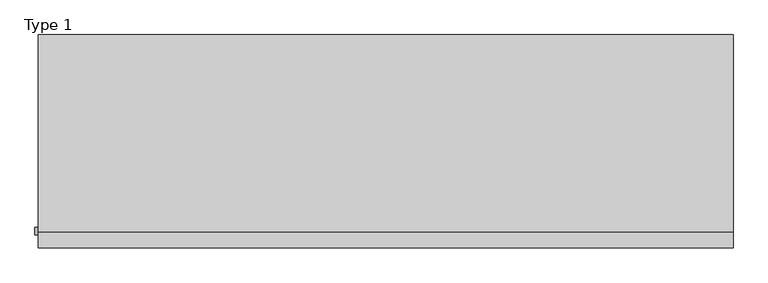
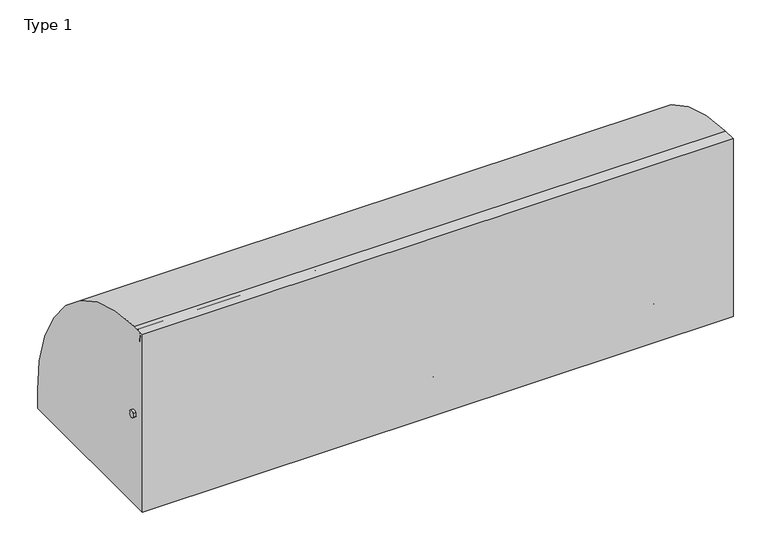
"""IFC4 building model written with IfcOpenShell, lengths in millimetres: railing geometry, Type 1."""

from ifc_helpers import new_model, si_unit, point, frame, frame_2d, origin, origin_with_axes, place, context, project, spatial, polyline, circle_curve, trimmed, segment, composite_curve, outline, extrude, source, transform, mapped, element, save
from ifc_brep_helpers import plane_surface, cylinder_surface, revolved_surface, advanced_brep


def type_1_f4e1b0f0(model_context):
    return source(origin(), model_context, "Body", "SolidModel", [
        extrude(outline(composite_curve([segment(polyline([(-209.2, 1050.0), (-132.6546144, 1050.0)]), True, "CONTINUOUS"), segment(trimmed(circle_curve(frame_2d((-139.8273072, 108.0)), 942.0273072), [point((-132.6546144, 1050.0))], [point((802.2, 108.0))], False, "CARTESIAN"), True, "CONTINUOUS"), segment(polyline([(802.2, 108.0), (802.2, 0.0), (-209.2, 0.0), (-209.2, 1050.0)]), True, "CONTINUOUS")], self_intersect=False)), frame((-395.0, 0.0, 0.0), z_axis=(1.0, 0.0, 0.0), x_axis=(0.0, 1.0, 0.0)), (0.0, 0.0, 1.0), 3295.0),
        extrude(outline(composite_curve([segment(trimmed(circle_curve(frame_2d((-131.287505, 538.0)), 20.0), [point((-112.7, 530.617273))], [point((-147.0, 525.6259343))], False, "CARTESIAN"), True, "CONTINUOUS"), segment(polyline([(-147.0, 525.6259343), (-147.0, 550.3740657)]), True, "CONTINUOUS"), segment(trimmed(circle_curve(frame_2d((-131.287505, 538.0)), 20.0), [point((-147.0, 550.3740657))], [point((-112.7, 545.382727))], False, "CARTESIAN"), True, "CONTINUOUS"), segment(polyline([(-112.7, 545.382727), (-116.7, 545.382727), (-116.7, 530.617273), (-112.7, 530.617273)]), True, "CONTINUOUS")], self_intersect=False)), frame((-410.0, 0.0, 0.0), z_axis=(1.0, 0.0, 0.0), x_axis=(0.0, 1.0, 0.0)), (0.0, 0.0, 1.0), 3260.0),
        extrude(outline(composite_curve([segment(trimmed(circle_curve(frame_2d((-166.0, 1025.0)), 25.0), [point((-187.0, 1011.43534))], [point((-145.0, 1011.43534))], False, "CARTESIAN"), True, "CONTINUOUS"), segment(polyline([(-145.0, 1011.43534), (-145.0, 993.0), (-146.0, 993.0), (-146.0, 1008.0), (-186.0, 1008.0), (-186.0, 993.0), (-187.0, 993.0), (-187.0, 1011.43534)]), True, "CONTINUOUS")], self_intersect=False)), frame((-395.0, 0.0, 0.0), z_axis=(1.0, 0.0, 0.0), x_axis=(0.0, 1.0, 0.0)), (0.0, 0.0, 1.0), 3295.0),
        extrude(outline(polyline([(1170.0, -185.0), (1170.0, 0.0), (1215.0, 0.0), (1215.0, -185.0), (1170.0, -185.0)])), origin_with_axes(), (0.0, 0.0, 1.0), 2.5),
        extrude(outline(composite_curve([segment(polyline([(-185.0, 185.0), (-154.0180942, 185.0)]), True, "CONTINUOUS"), segment(trimmed(circle_curve(frame_2d((-154.0180942, 112.1212122)), 72.8787879), [point((-154.0180942, 185.0))], [point((-102.485009, 163.6542973))], False, "CARTESIAN"), True, "CONTINUOUS"), segment(polyline([(-102.485009, 163.6542973), (-4.3933983, 65.5626865)]), True, "CONTINUOUS"), segment(trimmed(circle_curve(frame_2d((-15.0, 54.9560848)), 15.0), [point((-4.3933983, 65.5626865))], [point((0.0, 54.9560848))], False, "CARTESIAN"), True, "CONTINUOUS"), segment(polyline([(0.0, 54.9560848), (0.0, 0.0), (-185.0, 0.0), (-185.0, 185.0)]), True, "CONTINUOUS")], self_intersect=False), holes=[composite_curve([segment(trimmed(circle_curve(frame_2d((-92.5196719, 93.0361975)), 5.6060606), [point((-98.1257325, 93.0361975))], [point((-86.9136113, 93.0361975))], True, "CARTESIAN"), True, "CONTINUOUS"), segment(trimmed(circle_curve(frame_2d((-165.5151515, 93.0361975)), 78.6015402), [point((-86.9136113, 93.0361975))], [point((-165.5151515, 171.6377377))], True, "CARTESIAN"), True, "CONTINUOUS"), segment(trimmed(circle_curve(frame_2d((-165.5151515, 166.0316771)), 5.6060606), [point((-165.5151515, 171.6377377))], [point((-171.1212121, 166.0316771))], True, "CARTESIAN"), True, "CONTINUOUS"), segment(polyline([(-171.1212121, 166.0316771), (-171.1212121, 143.5676849)]), True, "CONTINUOUS"), segment(trimmed(circle_curve(frame_2d((-165.5151515, 143.5676849)), 5.6060606), [point((-171.1212121, 143.5676849))], [point((-159.9090909, 143.5676849))], True, "CARTESIAN"), True, "CONTINUOUS"), segment(polyline([(-159.9090909, 143.5676849), (-159.9090909, 157.7293747)]), True, "CONTINUOUS"), segment(trimmed(circle_curve(frame_2d((-157.6849895, 157.7293747)), 2.2241014), [point((-159.9090909, 157.7293747))], [point((-157.417745, 159.9373619))], False, "CARTESIAN"), True, "CONTINUOUS"), segment(trimmed(circle_curve(frame_2d((-165.5151515, 93.0361975)), 67.389419), [point((-157.417745, 159.9373619))], [point((-98.1257325, 93.0361975))], False, "CARTESIAN"), True, "CONTINUOUS")], self_intersect=False)]), frame((1215.0, 0.0, 0.0), z_axis=(1.0, 0.0, 0.0), x_axis=(0.0, 1.0, 0.0)), (0.0, 0.0, 1.0), 3.0),
        advanced_brep(
        [(1282.0, -185.0, 185.0), (1282.0, -154.0180942, 185.0), (1282.0, -102.485009, 163.6542973), (1282.0, -4.3933983, 65.5626865), (1282.0, 0.0, 54.9560848), (1282.0, 0.0, 0.0), (1282.0, -185.0, 0.0), (1282.0, -185.0, 100.9768515), (1282.0, -98.1257325, 93.0361975), (1282.0, -86.9136113, 93.0361975), (1282.0, -165.5151515, 171.6377377), (1282.0, -171.1212121, 166.0316771), (1282.0, -171.1212121, 143.5676849), (1282.0, -159.9090909, 143.5676849), (1282.0, -159.9090909, 157.7293747), (1282.0, -157.417745, 159.9373619), (1285.0, 0.0, 54.9560848), (1285.0, -4.3933983, 65.5626865), (1285.0, -102.485009, 163.6542973), (1285.0, -154.0180942, 185.0), (1285.0, -188.0, 185.0), (1285.0, -188.0, 100.9768515), (1285.0, -185.0, 100.9768515), (1285.0, -185.0, 2.5), (1285.0, 0.0, 2.5), (1285.0, -98.1257325, 93.0361975), (1285.0, -157.417745, 159.9373619), (1285.0, -159.9090909, 157.7293747), (1285.0, -159.9090909, 143.5676849), (1285.0, -171.1212121, 143.5676849), (1285.0, -171.1212121, 166.0316771), (1285.0, -165.5151515, 171.6377377), (1285.0, -86.9136113, 93.0361975), (1215.0, -185.0, 185.0), (1215.0, -188.0, 185.0), (1330.0, 0.0, 2.5), (1330.0, 0.0, 0.0), (1330.0, -185.0, 0.0), (1330.0, -185.0, 2.5), (1215.0, -188.0, 100.9768515), (1215.0, -185.0, 100.9768515)],
        [
            (0, 1),
            (1, 2, circle_curve(frame((1282.0, -154.0180942, 112.1212122), z_axis=(-1.0, 0.0, 0.0), x_axis=(0.0, -1.0, 0.0)), 72.8787879)),
            (2, 3),
            (3, 4, circle_curve(frame((1282.0, -15.0, 54.9560848), z_axis=(-1.0, 0.0, 0.0), x_axis=(0.0, -1.0, 0.0)), 15.0)),
            (4, 5),
            (5, 6),
            (6, 7),
            (7, 0),
            (8, 9, circle_curve(frame((1282.0, -92.5196719, 93.0361975), z_axis=(1.0, 0.0, 0.0), x_axis=(0.0, -1.0, 0.0)), 5.6060606)),
            (9, 10, circle_curve(frame((1282.0, -165.5151515, 93.0361975), z_axis=(1.0, 0.0, 0.0), x_axis=(0.0, -1.0, 0.0)), 78.6015402)),
            (10, 11, circle_curve(frame((1282.0, -165.5151515, 166.0316771), z_axis=(1.0, 0.0, 0.0), x_axis=(0.0, -1.0, 0.0)), 5.6060606)),
            (11, 12),
            (12, 13, circle_curve(frame((1282.0, -165.5151515, 143.5676849), z_axis=(1.0, 0.0, 0.0), x_axis=(0.0, -1.0, 0.0)), 5.6060606)),
            (13, 14),
            (14, 15, circle_curve(frame((1282.0, -157.6849895, 157.7293747), z_axis=(-1.0, 0.0, 0.0), x_axis=(0.0, -1.0, 0.0)), 2.2241014)),
            (15, 8, circle_curve(frame((1282.0, -165.5151515, 93.0361975), z_axis=(-1.0, 0.0, 0.0), x_axis=(0.0, -1.0, 0.0)), 67.389419)),
            (16, 17, circle_curve(frame((1285.0, -15.0, 54.9560848), z_axis=(1.0, 0.0, 0.0), x_axis=(0.0, -1.0, 0.0)), 15.0)),
            (17, 18),
            (18, 19, circle_curve(frame((1285.0, -154.0180942, 112.1212122), z_axis=(1.0, 0.0, 0.0), x_axis=(0.0, -1.0, 0.0)), 72.8787879)),
            (19, 20),
            (20, 21),
            (21, 22),
            (22, 23),
            (23, 24),
            (24, 16),
            (25, 26, circle_curve(frame((1285.0, -165.5151515, 93.0361975), z_axis=(1.0, 0.0, 0.0), x_axis=(0.0, -1.0, 0.0)), 67.389419)),
            (26, 27, circle_curve(frame((1285.0, -157.6849895, 157.7293747), z_axis=(1.0, 0.0, 0.0), x_axis=(0.0, -1.0, 0.0)), 2.2241014)),
            (27, 28),
            (28, 29, circle_curve(frame((1285.0, -165.5151515, 143.5676849), z_axis=(-1.0, 0.0, 0.0), x_axis=(0.0, -1.0, 0.0)), 5.6060606)),
            (29, 30),
            (30, 31, circle_curve(frame((1285.0, -165.5151515, 166.0316771), z_axis=(-1.0, 0.0, 0.0), x_axis=(0.0, -1.0, 0.0)), 5.6060606)),
            (31, 32, circle_curve(frame((1285.0, -165.5151515, 93.0361975), z_axis=(-1.0, 0.0, 0.0), x_axis=(0.0, -1.0, 0.0)), 78.6015402)),
            (32, 25, circle_curve(frame((1285.0, -92.5196719, 93.0361975), z_axis=(-1.0, 0.0, 0.0), x_axis=(0.0, -1.0, 0.0)), 5.6060606)),
            (0, 33),
            (33, 34),
            (34, 20),
            (19, 1),
            (18, 2),
            (17, 3),
            (16, 4),
            (24, 35),
            (35, 36),
            (36, 5),
            (36, 37),
            (37, 6),
            (37, 38),
            (38, 23),
            (22, 7),
            (8, 25),
            (32, 9),
            (31, 10),
            (30, 11),
            (15, 26),
            (29, 12),
            (28, 13),
            (27, 14),
            (34, 39),
            (39, 21),
            (40, 33),
            (7, 40),
            (40, 39),
            (38, 35),
        ],
        [
            plane_surface(frame((1282.0, -183.2270223, 185.0), z_axis=(-1.0, 0.0, 0.0), x_axis=(0.0, 1.0, 0.0))),
            plane_surface(frame((1285.0, -183.2270223, 185.0), z_axis=(1.0, 0.0, 0.0), x_axis=(0.0, -1.0, 0.0))),
            plane_surface(frame((1282.0, -185.0, 185.0), z_axis=(0.0, 0.0, 1.0), x_axis=(1.0, 0.0, 0.0))),
            cylinder_surface(frame((1285.0, -154.0180942, 112.1212122), z_axis=(-1.0, 0.0, 0.0), x_axis=(0.0, -1.0, 0.0)), 72.8787879),
            plane_surface(frame((1282.0, -102.485009, 163.6542973), z_axis=(0.0, 0.7071067811865421, 0.707106781186553), x_axis=(1.0, 0.0, 0.0))),
            cylinder_surface(frame((1285.0, -15.0, 54.9560848), z_axis=(-1.0, 0.0, 0.0), x_axis=(0.0, -1.0, 0.0)), 15.0),
            plane_surface(frame((1282.0, 0.0, 54.9560848), z_axis=(0.0, 1.0, 0.0), x_axis=(1.0, 0.0, 0.0))),
            plane_surface(frame((1282.0, 0.0, 0.0), z_axis=(0.0, 0.0, -1.0), x_axis=(1.0, 0.0, 0.0))),
            plane_surface(frame((1282.0, -185.0, 0.0), z_axis=(0.0, -1.0, 0.0), x_axis=(1.0, 0.0, 0.0))),
            revolved_surface(polyline([(1285.0, -98.12573250000001, 93.0361975), (1282.0, -98.12573250000001, 93.0361975)]), (1285.0, -92.5196719, 93.0361975), (1.0, 0.0, 0.0)),
            revolved_surface(polyline([(1285.0, -244.1166917, 93.0361975), (1282.0, -244.1166917, 93.0361975)]), (1285.0, -165.5151515, 93.0361975), (1.0, 0.0, 0.0)),
            revolved_surface(polyline([(1285.0, -171.1212121, 166.0316771), (1282.0, -171.1212121, 166.0316771)]), (1285.0, -165.5151515, 166.0316771), (1.0, 0.0, 0.0)),
            cylinder_surface(frame((1285.0, -165.5151515, 93.0361975), z_axis=(-1.0, 0.0, 0.0), x_axis=(0.0, -1.0, 0.0)), 67.389419),
            plane_surface(frame((1282.0, -171.1212121, 166.0316771), z_axis=(0.0, 1.0, 0.0), x_axis=(1.0, 0.0, 0.0))),
            revolved_surface(polyline([(1285.0, -171.1212121, 143.5676849), (1282.0, -171.1212121, 143.5676849)]), (1285.0, -165.5151515, 143.5676849), (1.0, 0.0, 0.0)),
            plane_surface(frame((1282.0, -159.9090909, 143.5676849), z_axis=(0.0, -1.0, 0.0), x_axis=(1.0, 0.0, 0.0))),
            cylinder_surface(frame((1285.0, -157.6849895, 157.7293747), z_axis=(-1.0, 0.0, 0.0), x_axis=(0.0, -1.0, 0.0)), 2.2241014),
            plane_surface(frame((1215.0, -188.0, 185.0), z_axis=(0.0, -1.0, 0.0), x_axis=(-1.0, 0.0, 0.0))),
            plane_surface(frame((1215.0, -185.0, 185.0), z_axis=(0.0, 1.0, 0.0), x_axis=(1.0, 0.0, 0.0))),
            plane_surface(frame((1215.0, -188.0, 185.0), z_axis=(-1.0, 0.0, 0.0), x_axis=(0.0, 1.0, 0.0))),
            plane_surface(frame((1215.0, -188.0, 100.9768515), z_axis=(0.0, 0.0, -1.0), x_axis=(0.0, 1.0, 0.0))),
            plane_surface(frame((1330.0, -185.0, 2.5), z_axis=(0.0, 0.0, 1.0), x_axis=(0.0, 1.0, 0.0))),
            plane_surface(frame((1330.0, -185.0, 2.5), z_axis=(1.0, 0.0, 0.0), x_axis=(0.0, 0.0, -1.0))),
        ],
        [
            (0, [[1, 2, 3, 4, 5, 6, 7, 8], [9, 10, 11, 12, 13, 14, 15, 16]]),
            (1, [[17, 18, 19, 20, 21, 22, 23, 24, 25], [26, 27, 28, 29, 30, 31, 32, 33]]),
            (2, [[-1, 34, 35, 36, -20, 37]]),
            (3, [[-2, -37, -19, 38]]),
            (4, [[-3, -38, -18, 39]]),
            (5, [[-4, -39, -17, 40]]),
            (6, [[-5, -40, -25, 41, 42, 43]]),
            (7, [[-6, -43, 44, 45]]),
            (8, [[-45, 46, 47, -23, 48, -7]]),
            (9, [[-9, 49, -33, 50]]),
            (10, [[-10, -50, -32, 51]]),
            (11, [[-11, -51, -31, 52]]),
            (12, [[-16, 53, -26, -49]]),
            (13, [[-12, -52, -30, 54]]),
            (14, [[-13, -54, -29, 55]]),
            (15, [[-14, -55, -28, 56]]),
            (16, [[-15, -56, -27, -53]]),
            (17, [[-36, 57, 58, -21]]),
            (18, [[59, -34, -8, 60]]),
            (19, [[-57, -35, -59, 61]]),
            (20, [[-58, -61, -60, -48, -22]]),
            (21, [[62, -41, -24, -47]]),
            (22, [[-62, -46, -44, -42]]),
        ],
    ),
        extrude(outline(composite_curve([segment(trimmed(circle_curve(frame_2d((1227.0, -180.0)), 5.0), [point((1227.0, -185.0))], [point((1222.0, -180.0))], False, "CARTESIAN"), True, "CONTINUOUS"), segment(polyline([(1222.0, -180.0), (1222.0, -152.0)]), True, "CONTINUOUS"), segment(trimmed(circle_curve(frame_2d((1227.0, -152.0)), 5.0), [point((1222.0, -152.0))], [point((1227.0, -147.0))], False, "CARTESIAN"), True, "CONTINUOUS"), segment(polyline([(1227.0, -147.0), (1273.0, -147.0)]), True, "CONTINUOUS"), segment(trimmed(circle_curve(frame_2d((1273.0, -152.0)), 5.0), [point((1273.0, -147.0))], [point((1278.0, -152.0))], False, "CARTESIAN"), True, "CONTINUOUS"), segment(polyline([(1278.0, -152.0), (1278.0, -180.0)]), True, "CONTINUOUS"), segment(trimmed(circle_curve(frame_2d((1273.0, -180.0)), 5.0), [point((1278.0, -180.0))], [point((1273.0, -185.0))], False, "CARTESIAN"), True, "CONTINUOUS"), segment(polyline([(1273.0, -185.0), (1227.0, -185.0)]), True, "CONTINUOUS")], self_intersect=False)), frame((0.0, 0.0, 43.0), z_axis=(0.0, 0.0, 1.0), x_axis=(1.0, 0.0, 0.0)), (0.0, 0.0, 1.0), 965.0),
        extrude(outline(polyline([(2392.0, -185.0), (2392.0, 0.0), (2437.0, 0.0), (2437.0, -185.0), (2392.0, -185.0)])), origin_with_axes(), (0.0, 0.0, 1.0), 2.5),
        extrude(outline(composite_curve([segment(polyline([(-185.0, 185.0), (-154.0180942, 185.0)]), True, "CONTINUOUS"), segment(trimmed(circle_curve(frame_2d((-154.0180942, 112.1212122)), 72.8787879), [point((-154.0180942, 185.0))], [point((-102.485009, 163.6542973))], False, "CARTESIAN"), True, "CONTINUOUS"), segment(polyline([(-102.485009, 163.6542973), (-4.3933983, 65.5626865)]), True, "CONTINUOUS"), segment(trimmed(circle_curve(frame_2d((-15.0, 54.9560848)), 15.0), [point((-4.3933983, 65.5626865))], [point((0.0, 54.9560848))], False, "CARTESIAN"), True, "CONTINUOUS"), segment(polyline([(0.0, 54.9560848), (0.0, 0.0), (-185.0, 0.0), (-185.0, 185.0)]), True, "CONTINUOUS")], self_intersect=False), holes=[composite_curve([segment(trimmed(circle_curve(frame_2d((-92.5196719, 93.0361975)), 5.6060606), [point((-98.1257325, 93.0361975))], [point((-86.9136113, 93.0361975))], True, "CARTESIAN"), True, "CONTINUOUS"), segment(trimmed(circle_curve(frame_2d((-165.5151515, 93.0361975)), 78.6015402), [point((-86.9136113, 93.0361975))], [point((-165.5151515, 171.6377377))], True, "CARTESIAN"), True, "CONTINUOUS"), segment(trimmed(circle_curve(frame_2d((-165.5151515, 166.0316771)), 5.6060606), [point((-165.5151515, 171.6377377))], [point((-171.1212121, 166.0316771))], True, "CARTESIAN"), True, "CONTINUOUS"), segment(polyline([(-171.1212121, 166.0316771), (-171.1212121, 143.5676849)]), True, "CONTINUOUS"), segment(trimmed(circle_curve(frame_2d((-165.5151515, 143.5676849)), 5.6060606), [point((-171.1212121, 143.5676849))], [point((-159.9090909, 143.5676849))], True, "CARTESIAN"), True, "CONTINUOUS"), segment(polyline([(-159.9090909, 143.5676849), (-159.9090909, 157.7293747)]), True, "CONTINUOUS"), segment(trimmed(circle_curve(frame_2d((-157.6849895, 157.7293747)), 2.2241014), [point((-159.9090909, 157.7293747))], [point((-157.417745, 159.9373619))], False, "CARTESIAN"), True, "CONTINUOUS"), segment(trimmed(circle_curve(frame_2d((-165.5151515, 93.0361975)), 67.389419), [point((-157.417745, 159.9373619))], [point((-98.1257325, 93.0361975))], False, "CARTESIAN"), True, "CONTINUOUS")], self_intersect=False)]), frame((2437.0, 0.0, 0.0), z_axis=(1.0, 0.0, 0.0), x_axis=(0.0, 1.0, 0.0)), (0.0, 0.0, 1.0), 3.0),
        advanced_brep(
        [(2504.0, -185.0, 185.0), (2504.0, -154.0180942, 185.0), (2504.0, -102.485009, 163.6542973), (2504.0, -4.3933983, 65.5626865), (2504.0, 0.0, 54.9560848), (2504.0, 0.0, 0.0), (2504.0, -185.0, 0.0), (2504.0, -185.0, 100.9768515), (2504.0, -98.1257325, 93.0361975), (2504.0, -86.9136113, 93.0361975), (2504.0, -165.5151515, 171.6377377), (2504.0, -171.1212121, 166.0316771), (2504.0, -171.1212121, 143.5676849), (2504.0, -159.9090909, 143.5676849), (2504.0, -159.9090909, 157.7293747), (2504.0, -157.417745, 159.9373619), (2507.0, 0.0, 54.9560848), (2507.0, -4.3933983, 65.5626865), (2507.0, -102.485009, 163.6542973), (2507.0, -154.0180942, 185.0), (2507.0, -188.0, 185.0), (2507.0, -188.0, 100.9768515), (2507.0, -185.0, 100.9768515), (2507.0, -185.0, 2.5), (2507.0, 0.0, 2.5), (2507.0, -98.1257325, 93.0361975), (2507.0, -157.417745, 159.9373619), (2507.0, -159.9090909, 157.7293747), (2507.0, -159.9090909, 143.5676849), (2507.0, -171.1212121, 143.5676849), (2507.0, -171.1212121, 166.0316771), (2507.0, -165.5151515, 171.6377377), (2507.0, -86.9136113, 93.0361975), (2437.0, -185.0, 185.0), (2437.0, -188.0, 185.0), (2552.0, 0.0, 2.5), (2552.0, 0.0, 0.0), (2552.0, -185.0, 0.0), (2552.0, -185.0, 2.5), (2437.0, -188.0, 100.9768515), (2437.0, -185.0, 100.9768515)],
        [
            (0, 1),
            (1, 2, circle_curve(frame((2504.0, -154.0180942, 112.1212122), z_axis=(-1.0, 0.0, 0.0), x_axis=(0.0, -1.0, 0.0)), 72.8787879)),
            (2, 3),
            (3, 4, circle_curve(frame((2504.0, -15.0, 54.9560848), z_axis=(-1.0, 0.0, 0.0), x_axis=(0.0, -1.0, 0.0)), 15.0)),
            (4, 5),
            (5, 6),
            (6, 7),
            (7, 0),
            (8, 9, circle_curve(frame((2504.0, -92.5196719, 93.0361975), z_axis=(1.0, 0.0, 0.0), x_axis=(0.0, -1.0, 0.0)), 5.6060606)),
            (9, 10, circle_curve(frame((2504.0, -165.5151515, 93.0361975), z_axis=(1.0, 0.0, 0.0), x_axis=(0.0, -1.0, 0.0)), 78.6015402)),
            (10, 11, circle_curve(frame((2504.0, -165.5151515, 166.0316771), z_axis=(1.0, 0.0, 0.0), x_axis=(0.0, -1.0, 0.0)), 5.6060606)),
            (11, 12),
            (12, 13, circle_curve(frame((2504.0, -165.5151515, 143.5676849), z_axis=(1.0, 0.0, 0.0), x_axis=(0.0, -1.0, 0.0)), 5.6060606)),
            (13, 14),
            (14, 15, circle_curve(frame((2504.0, -157.6849895, 157.7293747), z_axis=(-1.0, 0.0, 0.0), x_axis=(0.0, -1.0, 0.0)), 2.2241014)),
            (15, 8, circle_curve(frame((2504.0, -165.5151515, 93.0361975), z_axis=(-1.0, 0.0, 0.0), x_axis=(0.0, -1.0, 0.0)), 67.389419)),
            (16, 17, circle_curve(frame((2507.0, -15.0, 54.9560848), z_axis=(1.0, 0.0, 0.0), x_axis=(0.0, -1.0, 0.0)), 15.0)),
            (17, 18),
            (18, 19, circle_curve(frame((2507.0, -154.0180942, 112.1212122), z_axis=(1.0, 0.0, 0.0), x_axis=(0.0, -1.0, 0.0)), 72.8787879)),
            (19, 20),
            (20, 21),
            (21, 22),
            (22, 23),
            (23, 24),
            (24, 16),
            (25, 26, circle_curve(frame((2507.0, -165.5151515, 93.0361975), z_axis=(1.0, 0.0, 0.0), x_axis=(0.0, -1.0, 0.0)), 67.389419)),
            (26, 27, circle_curve(frame((2507.0, -157.6849895, 157.7293747), z_axis=(1.0, 0.0, 0.0), x_axis=(0.0, -1.0, 0.0)), 2.2241014)),
            (27, 28),
            (28, 29, circle_curve(frame((2507.0, -165.5151515, 143.5676849), z_axis=(-1.0, 0.0, 0.0), x_axis=(0.0, -1.0, 0.0)), 5.6060606)),
            (29, 30),
            (30, 31, circle_curve(frame((2507.0, -165.5151515, 166.0316771), z_axis=(-1.0, 0.0, 0.0), x_axis=(0.0, -1.0, 0.0)), 5.6060606)),
            (31, 32, circle_curve(frame((2507.0, -165.5151515, 93.0361975), z_axis=(-1.0, 0.0, 0.0), x_axis=(0.0, -1.0, 0.0)), 78.6015402)),
            (32, 25, circle_curve(frame((2507.0, -92.5196719, 93.0361975), z_axis=(-1.0, 0.0, 0.0), x_axis=(0.0, -1.0, 0.0)), 5.6060606)),
            (0, 33),
            (33, 34),
            (34, 20),
            (19, 1),
            (18, 2),
            (17, 3),
            (16, 4),
            (24, 35),
            (35, 36),
            (36, 5),
            (36, 37),
            (37, 6),
            (37, 38),
            (38, 23),
            (22, 7),
            (8, 25),
            (32, 9),
            (31, 10),
            (30, 11),
            (15, 26),
            (29, 12),
            (28, 13),
            (27, 14),
            (34, 39),
            (39, 21),
            (40, 33),
            (7, 40),
            (40, 39),
            (38, 35),
        ],
        [
            plane_surface(frame((2504.0, -183.2270223, 185.0), z_axis=(-1.0, 0.0, 0.0), x_axis=(0.0, 1.0, 0.0))),
            plane_surface(frame((2507.0, -183.2270223, 185.0), z_axis=(1.0, 0.0, 0.0), x_axis=(0.0, -1.0, 0.0))),
            plane_surface(frame((2504.0, -185.0, 185.0), z_axis=(0.0, 0.0, 1.0), x_axis=(1.0, 0.0, 0.0))),
            cylinder_surface(frame((2507.0, -154.0180942, 112.1212122), z_axis=(-1.0, 0.0, 0.0), x_axis=(0.0, -1.0, 0.0)), 72.8787879),
            plane_surface(frame((2504.0, -102.485009, 163.6542973), z_axis=(0.0, 0.7071067811865421, 0.707106781186553), x_axis=(1.0, 0.0, 0.0))),
            cylinder_surface(frame((2507.0, -15.0, 54.9560848), z_axis=(-1.0, 0.0, 0.0), x_axis=(0.0, -1.0, 0.0)), 15.0),
            plane_surface(frame((2504.0, 0.0, 54.9560848), z_axis=(0.0, 1.0, 0.0), x_axis=(1.0, 0.0, 0.0))),
            plane_surface(frame((2504.0, 0.0, 0.0), z_axis=(0.0, 0.0, -1.0), x_axis=(1.0, 0.0, 0.0))),
            plane_surface(frame((2504.0, -185.0, 0.0), z_axis=(0.0, -1.0, 0.0), x_axis=(1.0, 0.0, 0.0))),
            revolved_surface(polyline([(2507.0, -98.12573250000001, 93.0361975), (2504.0, -98.12573250000001, 93.0361975)]), (2507.0, -92.5196719, 93.0361975), (1.0, 0.0, 0.0)),
            revolved_surface(polyline([(2507.0, -244.1166917, 93.0361975), (2504.0, -244.1166917, 93.0361975)]), (2507.0, -165.5151515, 93.0361975), (1.0, 0.0, 0.0)),
            revolved_surface(polyline([(2507.0, -171.1212121, 166.0316771), (2504.0, -171.1212121, 166.0316771)]), (2507.0, -165.5151515, 166.0316771), (1.0, 0.0, 0.0)),
            cylinder_surface(frame((2507.0, -165.5151515, 93.0361975), z_axis=(-1.0, 0.0, 0.0), x_axis=(0.0, -1.0, 0.0)), 67.389419),
            plane_surface(frame((2504.0, -171.1212121, 166.0316771), z_axis=(0.0, 1.0, 0.0), x_axis=(1.0, 0.0, 0.0))),
            revolved_surface(polyline([(2507.0, -171.1212121, 143.5676849), (2504.0, -171.1212121, 143.5676849)]), (2507.0, -165.5151515, 143.5676849), (1.0, 0.0, 0.0)),
            plane_surface(frame((2504.0, -159.9090909, 143.5676849), z_axis=(0.0, -1.0, 0.0), x_axis=(1.0, 0.0, 0.0))),
            cylinder_surface(frame((2507.0, -157.6849895, 157.7293747), z_axis=(-1.0, 0.0, 0.0), x_axis=(0.0, -1.0, 0.0)), 2.2241014),
            plane_surface(frame((2437.0, -188.0, 185.0), z_axis=(0.0, -1.0, 0.0), x_axis=(-1.0, 0.0, 0.0))),
            plane_surface(frame((2437.0, -185.0, 185.0), z_axis=(0.0, 1.0, 0.0), x_axis=(1.0, 0.0, 0.0))),
            plane_surface(frame((2437.0, -188.0, 185.0), z_axis=(-1.0, 0.0, 0.0), x_axis=(0.0, 1.0, 0.0))),
            plane_surface(frame((2437.0, -188.0, 100.9768515), z_axis=(0.0, 0.0, -1.0), x_axis=(0.0, 1.0, 0.0))),
            plane_surface(frame((2552.0, -185.0, 2.5), z_axis=(0.0, 0.0, 1.0), x_axis=(0.0, 1.0, 0.0))),
            plane_surface(frame((2552.0, -185.0, 2.5), z_axis=(1.0, 0.0, 0.0), x_axis=(0.0, 0.0, -1.0))),
        ],
        [
            (0, [[1, 2, 3, 4, 5, 6, 7, 8], [9, 10, 11, 12, 13, 14, 15, 16]]),
            (1, [[17, 18, 19, 20, 21, 22, 23, 24, 25], [26, 27, 28, 29, 30, 31, 32, 33]]),
            (2, [[-1, 34, 35, 36, -20, 37]]),
            (3, [[-2, -37, -19, 38]]),
            (4, [[-3, -38, -18, 39]]),
            (5, [[-4, -39, -17, 40]]),
            (6, [[-5, -40, -25, 41, 42, 43]]),
            (7, [[-6, -43, 44, 45]]),
            (8, [[-45, 46, 47, -23, 48, -7]]),
            (9, [[-9, 49, -33, 50]]),
            (10, [[-10, -50, -32, 51]]),
            (11, [[-11, -51, -31, 52]]),
            (12, [[-16, 53, -26, -49]]),
            (13, [[-12, -52, -30, 54]]),
            (14, [[-13, -54, -29, 55]]),
            (15, [[-14, -55, -28, 56]]),
            (16, [[-15, -56, -27, -53]]),
            (17, [[-36, 57, 58, -21]]),
            (18, [[59, -34, -8, 60]]),
            (19, [[-57, -35, -59, 61]]),
            (20, [[-58, -61, -60, -48, -22]]),
            (21, [[62, -41, -24, -47]]),
            (22, [[-62, -46, -44, -42]]),
        ],
    ),
        extrude(outline(composite_curve([segment(trimmed(circle_curve(frame_2d((2449.0, -180.0)), 5.0), [point((2449.0, -185.0))], [point((2444.0, -180.0))], False, "CARTESIAN"), True, "CONTINUOUS"), segment(polyline([(2444.0, -180.0), (2444.0, -152.0)]), True, "CONTINUOUS"), segment(trimmed(circle_curve(frame_2d((2449.0, -152.0)), 5.0), [point((2444.0, -152.0))], [point((2449.0, -147.0))], False, "CARTESIAN"), True, "CONTINUOUS"), segment(polyline([(2449.0, -147.0), (2495.0, -147.0)]), True, "CONTINUOUS"), segment(trimmed(circle_curve(frame_2d((2495.0, -152.0)), 5.0), [point((2495.0, -147.0))], [point((2500.0, -152.0))], False, "CARTESIAN"), True, "CONTINUOUS"), segment(polyline([(2500.0, -152.0), (2500.0, -180.0)]), True, "CONTINUOUS"), segment(trimmed(circle_curve(frame_2d((2495.0, -180.0)), 5.0), [point((2500.0, -180.0))], [point((2495.0, -185.0))], False, "CARTESIAN"), True, "CONTINUOUS"), segment(polyline([(2495.0, -185.0), (2449.0, -185.0)]), True, "CONTINUOUS")], self_intersect=False)), frame((0.0, 0.0, 43.0), z_axis=(0.0, 0.0, 1.0), x_axis=(1.0, 0.0, 0.0)), (0.0, 0.0, 1.0), 965.0),
        extrude(outline(polyline([(-52.0, -185.0), (-52.0, 0.0), (-7.0, 0.0), (-7.0, -185.0), (-52.0, -185.0)])), origin_with_axes(), (0.0, 0.0, 1.0), 2.5),
        extrude(outline(composite_curve([segment(polyline([(-185.0, 185.0), (-154.0180942, 185.0)]), True, "CONTINUOUS"), segment(trimmed(circle_curve(frame_2d((-154.0180942, 112.1212121)), 72.8787879), [point((-154.0180942, 185.0))], [point((-102.485009, 163.6542972))], False, "CARTESIAN"), True, "CONTINUOUS"), segment(polyline([(-102.485009, 163.6542972), (-4.3933983, 65.5626865)]), True, "CONTINUOUS"), segment(trimmed(circle_curve(frame_2d((-15.0, 54.9560848)), 15.0), [point((-4.3933983, 65.5626865))], [point((0.0, 54.9560848))], False, "CARTESIAN"), True, "CONTINUOUS"), segment(polyline([(0.0, 54.9560848), (0.0, 0.0), (-185.0, 0.0), (-185.0, 185.0)]), True, "CONTINUOUS")], self_intersect=False), holes=[composite_curve([segment(trimmed(circle_curve(frame_2d((-92.5196719, 93.0361974)), 5.6060606), [point((-98.1257325, 93.0361974))], [point((-86.9136113, 93.0361974))], True, "CARTESIAN"), True, "CONTINUOUS"), segment(trimmed(circle_curve(frame_2d((-165.5151515, 93.0361974)), 78.6015402), [point((-86.9136113, 93.0361974))], [point((-165.5151515, 171.6377376))], True, "CARTESIAN"), True, "CONTINUOUS"), segment(trimmed(circle_curve(frame_2d((-165.5151515, 166.031677)), 5.6060606), [point((-165.5151515, 171.6377376))], [point((-171.1212121, 166.031677))], True, "CARTESIAN"), True, "CONTINUOUS"), segment(polyline([(-171.1212121, 166.031677), (-171.1212121, 143.5676849)]), True, "CONTINUOUS"), segment(trimmed(circle_curve(frame_2d((-165.5151515, 143.5676849)), 5.6060606), [point((-171.1212121, 143.5676849))], [point((-159.9090909, 143.5676849))], True, "CARTESIAN"), True, "CONTINUOUS"), segment(polyline([(-159.9090909, 143.5676849), (-159.9090909, 157.7293746)]), True, "CONTINUOUS"), segment(trimmed(circle_curve(frame_2d((-157.6849895, 157.7293746)), 2.2241014), [point((-159.9090909, 157.7293746))], [point((-157.417745, 159.9373618))], False, "CARTESIAN"), True, "CONTINUOUS"), segment(trimmed(circle_curve(frame_2d((-165.5151515, 93.0361974)), 67.389419), [point((-157.417745, 159.9373618))], [point((-98.1257325, 93.0361974))], False, "CARTESIAN"), True, "CONTINUOUS")], self_intersect=False)]), frame((-7.0, 0.0, 0.0), z_axis=(1.0, 0.0, 0.0), x_axis=(0.0, 1.0, 0.0)), (0.0, 0.0, 1.0), 3.0),
        advanced_brep(
        [(60.0, -185.0, 185.0), (60.0, -154.0180942, 185.0), (60.0, -102.485009, 163.6542972), (60.0, -4.3933983, 65.5626865), (60.0, 0.0, 54.9560848), (60.0, 0.0, 0.0), (60.0, -185.0, 0.0), (60.0, -185.0, 100.9768514), (60.0, -98.1257325, 93.0361974), (60.0, -86.9136113, 93.0361974), (60.0, -165.5151515, 171.6377376), (60.0, -171.1212121, 166.031677), (60.0, -171.1212121, 143.5676849), (60.0, -159.9090909, 143.5676849), (60.0, -159.9090909, 157.7293746), (60.0, -157.417745, 159.9373618), (63.0, 0.0, 54.9560848), (63.0, -4.3933983, 65.5626865), (63.0, -102.485009, 163.6542972), (63.0, -154.0180942, 185.0), (63.0, -188.0, 185.0), (63.0, -188.0, 100.9768514), (63.0, -185.0, 100.9768514), (63.0, -185.0, 2.5), (63.0, 0.0, 2.5), (63.0, -98.1257325, 93.0361974), (63.0, -157.417745, 159.9373618), (63.0, -159.9090909, 157.7293746), (63.0, -159.9090909, 143.5676849), (63.0, -171.1212121, 143.5676849), (63.0, -171.1212121, 166.031677), (63.0, -165.5151515, 171.6377376), (63.0, -86.9136113, 93.0361974), (-7.0, -185.0, 185.0), (-7.0, -188.0, 185.0), (108.0, 0.0, 2.5), (108.0, 0.0, 0.0), (108.0, -185.0, 0.0), (108.0, -185.0, 2.5), (-7.0, -188.0, 100.9768514), (-7.0, -185.0, 100.9768514)],
        [
            (0, 1),
            (1, 2, circle_curve(frame((60.0, -154.0180942, 112.1212121), z_axis=(-1.0, 0.0, 0.0), x_axis=(0.0, -1.0, 0.0)), 72.8787879)),
            (2, 3),
            (3, 4, circle_curve(frame((60.0, -15.0, 54.9560848), z_axis=(-1.0, 0.0, 0.0), x_axis=(0.0, -1.0, 0.0)), 15.0)),
            (4, 5),
            (5, 6),
            (6, 7),
            (7, 0),
            (8, 9, circle_curve(frame((60.0, -92.5196719, 93.0361974), z_axis=(1.0, 0.0, 0.0), x_axis=(0.0, -1.0, 0.0)), 5.6060606)),
            (9, 10, circle_curve(frame((60.0, -165.5151515, 93.0361974), z_axis=(1.0, 0.0, 0.0), x_axis=(0.0, -1.0, 0.0)), 78.6015402)),
            (10, 11, circle_curve(frame((60.0, -165.5151515, 166.031677), z_axis=(1.0, 0.0, 0.0), x_axis=(0.0, -1.0, 0.0)), 5.6060606)),
            (11, 12),
            (12, 13, circle_curve(frame((60.0, -165.5151515, 143.5676849), z_axis=(1.0, 0.0, 0.0), x_axis=(0.0, -1.0, 0.0)), 5.6060606)),
            (13, 14),
            (14, 15, circle_curve(frame((60.0, -157.6849895, 157.7293746), z_axis=(-1.0, 0.0, 0.0), x_axis=(0.0, -1.0, 0.0)), 2.2241014)),
            (15, 8, circle_curve(frame((60.0, -165.5151515, 93.0361974), z_axis=(-1.0, 0.0, 0.0), x_axis=(0.0, -1.0, 0.0)), 67.389419)),
            (16, 17, circle_curve(frame((63.0, -15.0, 54.9560848), z_axis=(1.0, 0.0, 0.0), x_axis=(0.0, -1.0, 0.0)), 15.0)),
            (17, 18),
            (18, 19, circle_curve(frame((63.0, -154.0180942, 112.1212121), z_axis=(1.0, 0.0, 0.0), x_axis=(0.0, -1.0, 0.0)), 72.8787879)),
            (19, 20),
            (20, 21),
            (21, 22),
            (22, 23),
            (23, 24),
            (24, 16),
            (25, 26, circle_curve(frame((63.0, -165.5151515, 93.0361974), z_axis=(1.0, 0.0, 0.0), x_axis=(0.0, -1.0, 0.0)), 67.389419)),
            (26, 27, circle_curve(frame((63.0, -157.6849895, 157.7293746), z_axis=(1.0, 0.0, 0.0), x_axis=(0.0, -1.0, 0.0)), 2.2241014)),
            (27, 28),
            (28, 29, circle_curve(frame((63.0, -165.5151515, 143.5676849), z_axis=(-1.0, 0.0, 0.0), x_axis=(0.0, -1.0, 0.0)), 5.6060606)),
            (29, 30),
            (30, 31, circle_curve(frame((63.0, -165.5151515, 166.031677), z_axis=(-1.0, 0.0, 0.0), x_axis=(0.0, -1.0, 0.0)), 5.6060606)),
            (31, 32, circle_curve(frame((63.0, -165.5151515, 93.0361974), z_axis=(-1.0, 0.0, 0.0), x_axis=(0.0, -1.0, 0.0)), 78.6015402)),
            (32, 25, circle_curve(frame((63.0, -92.5196719, 93.0361974), z_axis=(-1.0, 0.0, 0.0), x_axis=(0.0, -1.0, 0.0)), 5.6060606)),
            (0, 33),
            (33, 34),
            (34, 20),
            (19, 1),
            (18, 2),
            (17, 3),
            (16, 4),
            (24, 35),
            (35, 36),
            (36, 5),
            (36, 37),
            (37, 6),
            (37, 38),
            (38, 23),
            (22, 7),
            (8, 25),
            (32, 9),
            (31, 10),
            (30, 11),
            (15, 26),
            (29, 12),
            (28, 13),
            (27, 14),
            (34, 39),
            (39, 21),
            (40, 33),
            (7, 40),
            (40, 39),
            (38, 35),
        ],
        [
            plane_surface(frame((60.0, -183.2270223, 185.0), z_axis=(-1.0, 0.0, 0.0), x_axis=(0.0, 1.0, 0.0))),
            plane_surface(frame((63.0, -183.2270223, 185.0), z_axis=(1.0, 0.0, 0.0), x_axis=(0.0, -1.0, 0.0))),
            plane_surface(frame((60.0, -185.0, 185.0), z_axis=(0.0, 0.0, 1.0), x_axis=(1.0, 0.0, 0.0))),
            cylinder_surface(frame((63.0, -154.0180942, 112.1212121), z_axis=(-1.0, 0.0, 0.0), x_axis=(0.0, -1.0, 0.0)), 72.8787879),
            plane_surface(frame((60.0, -102.485009, 163.6542972), z_axis=(0.0, 0.7071067811865421, 0.707106781186553), x_axis=(1.0, 0.0, 0.0))),
            cylinder_surface(frame((63.0, -15.0, 54.9560848), z_axis=(-1.0, 0.0, 0.0), x_axis=(0.0, -1.0, 0.0)), 15.0),
            plane_surface(frame((60.0, 0.0, 54.9560848), z_axis=(0.0, 1.0, 0.0), x_axis=(1.0, 0.0, 0.0))),
            plane_surface(frame((60.0, 0.0, 0.0), z_axis=(0.0, 0.0, -1.0), x_axis=(1.0, 0.0, 0.0))),
            plane_surface(frame((60.0, -185.0, 0.0), z_axis=(0.0, -1.0, 0.0), x_axis=(1.0, 0.0, 0.0))),
            revolved_surface(polyline([(63.0, -98.12573250000001, 93.0361974), (60.0, -98.12573250000001, 93.0361974)]), (63.0, -92.5196719, 93.0361974), (1.0, 0.0, 0.0)),
            revolved_surface(polyline([(63.0, -244.1166917, 93.0361974), (60.0, -244.1166917, 93.0361974)]), (63.0, -165.5151515, 93.0361974), (1.0, 0.0, 0.0)),
            revolved_surface(polyline([(63.0, -171.1212121, 166.031677), (60.0, -171.1212121, 166.031677)]), (63.0, -165.5151515, 166.031677), (1.0, 0.0, 0.0)),
            cylinder_surface(frame((63.0, -165.5151515, 93.0361974), z_axis=(-1.0, 0.0, 0.0), x_axis=(0.0, -1.0, 0.0)), 67.389419),
            plane_surface(frame((60.0, -171.1212121, 166.031677), z_axis=(0.0, 1.0, 0.0), x_axis=(1.0, 0.0, 0.0))),
            revolved_surface(polyline([(63.0, -171.1212121, 143.5676849), (60.0, -171.1212121, 143.5676849)]), (63.0, -165.5151515, 143.5676849), (1.0, 0.0, 0.0)),
            plane_surface(frame((60.0, -159.9090909, 143.5676849), z_axis=(0.0, -1.0, 0.0), x_axis=(1.0, 0.0, 0.0))),
            cylinder_surface(frame((63.0, -157.6849895, 157.7293746), z_axis=(-1.0, 0.0, 0.0), x_axis=(0.0, -1.0, 0.0)), 2.2241014),
            plane_surface(frame((-7.0, -188.0, 185.0), z_axis=(0.0, -1.0, 0.0), x_axis=(-1.0, 0.0, 0.0))),
            plane_surface(frame((-7.0, -185.0, 185.0), z_axis=(0.0, 1.0, 0.0), x_axis=(1.0, 0.0, 0.0))),
            plane_surface(frame((-7.0, -188.0, 185.0), z_axis=(-1.0, 0.0, 0.0), x_axis=(0.0, 1.0, 0.0))),
            plane_surface(frame((-7.0, -188.0, 100.9768514), z_axis=(0.0, 0.0, -1.0), x_axis=(0.0, 1.0, 0.0))),
            plane_surface(frame((108.0, -185.0, 2.5), z_axis=(0.0, 0.0, 1.0), x_axis=(0.0, 1.0, 0.0))),
            plane_surface(frame((108.0, -185.0, 2.5), z_axis=(1.0, 0.0, 0.0), x_axis=(0.0, 0.0, -1.0))),
        ],
        [
            (0, [[1, 2, 3, 4, 5, 6, 7, 8], [9, 10, 11, 12, 13, 14, 15, 16]]),
            (1, [[17, 18, 19, 20, 21, 22, 23, 24, 25], [26, 27, 28, 29, 30, 31, 32, 33]]),
            (2, [[-1, 34, 35, 36, -20, 37]]),
            (3, [[-2, -37, -19, 38]]),
            (4, [[-3, -38, -18, 39]]),
            (5, [[-4, -39, -17, 40]]),
            (6, [[-5, -40, -25, 41, 42, 43]]),
            (7, [[-6, -43, 44, 45]]),
            (8, [[-45, 46, 47, -23, 48, -7]]),
            (9, [[-9, 49, -33, 50]]),
            (10, [[-10, -50, -32, 51]]),
            (11, [[-11, -51, -31, 52]]),
            (12, [[-16, 53, -26, -49]]),
            (13, [[-12, -52, -30, 54]]),
            (14, [[-13, -54, -29, 55]]),
            (15, [[-14, -55, -28, 56]]),
            (16, [[-15, -56, -27, -53]]),
            (17, [[-36, 57, 58, -21]]),
            (18, [[59, -34, -8, 60]]),
            (19, [[-57, -35, -59, 61]]),
            (20, [[-58, -61, -60, -48, -22]]),
            (21, [[62, -41, -24, -47]]),
            (22, [[-62, -46, -44, -42]]),
        ],
    ),
        extrude(outline(composite_curve([segment(trimmed(circle_curve(frame_2d((5.0, -180.0)), 5.0), [point((5.0, -185.0))], [point((0.0, -180.0))], False, "CARTESIAN"), True, "CONTINUOUS"), segment(polyline([(0.0, -180.0), (0.0, -152.0)]), True, "CONTINUOUS"), segment(trimmed(circle_curve(frame_2d((5.0, -152.0)), 5.0), [point((0.0, -152.0))], [point((5.0, -147.0))], False, "CARTESIAN"), True, "CONTINUOUS"), segment(polyline([(5.0, -147.0), (51.0, -147.0)]), True, "CONTINUOUS"), segment(trimmed(circle_curve(frame_2d((51.0, -152.0)), 5.0), [point((51.0, -147.0))], [point((56.0, -152.0))], False, "CARTESIAN"), True, "CONTINUOUS"), segment(polyline([(56.0, -152.0), (56.0, -180.0)]), True, "CONTINUOUS"), segment(trimmed(circle_curve(frame_2d((51.0, -180.0)), 5.0), [point((56.0, -180.0))], [point((51.0, -185.0))], False, "CARTESIAN"), True, "CONTINUOUS"), segment(polyline([(51.0, -185.0), (5.0, -185.0)]), True, "CONTINUOUS")], self_intersect=False)), frame((0.0, 0.0, 43.0), z_axis=(0.0, 0.0, 1.0), x_axis=(1.0, 0.0, 0.0)), (0.0, 0.0, 1.0), 965.0),
    ])


if __name__ == "__main__":
    model = new_model("IFC4")
    model_context = context("Model", 3, world=origin())
    ifc_project = project(units=[si_unit("LENGTHUNIT", "METRE", prefix="MILLI")], contexts=[model_context])
    site = spatial("IfcSite", under=ifc_project)
    building = spatial("IfcBuilding", under=site)
    placement = place(None, origin())
    type_1_shape = type_1_f4e1b0f0(model_context)
    element("IfcRailing", 1, ObjectType="Type 1", at=placement, inside=building, context=model_context, shape_type="MappedRepresentation", body=[
        mapped(type_1_shape, transform((0.0, 0.0, 0.0), x_axis=(1.0, 0.0, 0.0), y_axis=(0.0, 1.0, 0.0), z_axis=(0.0, 0.0, 1.0))),
    ])
    save(model, "model.ifc")
